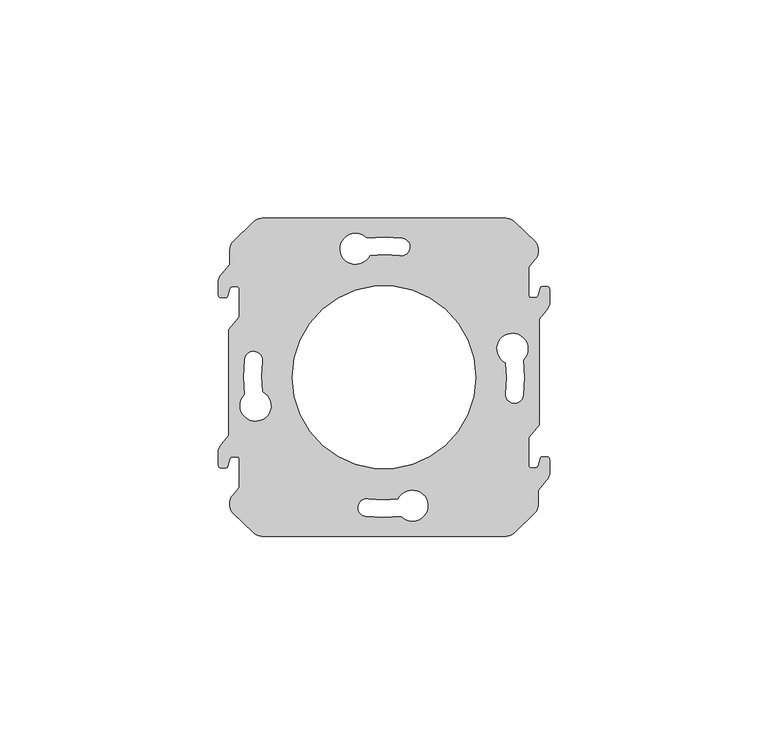
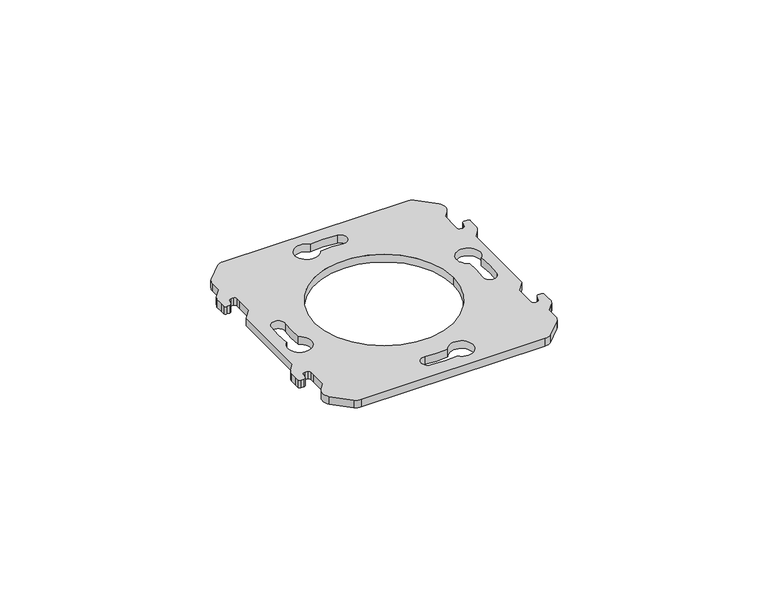
"""IFC4 building model written with IfcOpenShell, lengths in millimetres: proxy geometry."""

from ifc_helpers import new_model, si_unit, frame, origin, place, context, project, spatial, polyline, circle_curve, source, transform, mapped, element, save
from ifc_brep_helpers import plane_surface, cylinder_surface, revolved_surface, advanced_brep


def electrical_fixtures_a2ea9432(model_context):
    return source(origin(), model_context, "Body", "AdvancedBrep", [
        advanced_brep(
        [(-5.3618856, 58.9, 1.4999955), (-7.3352401, 58.1817577, 1.4999955), (-12.0623304, 53.6003524, 1.4999955), (-12.825, 51.7544998, 1.4999955), (-12.825, 48.358147, 1.4999955), (-14.6551375, 46.1770741, 1.4999955), (-15.3831369, 44.7482948, 1.4999955), (-15.3831369, 42.6032876, 1.4999955), (-15.3831369, 41.3, 1.4999955), (-14.7831369, 40.7, 1.4999955), (-13.8845347, 40.7, 1.4999955), (-13.2308768, 41.1925666, 1.4999955), (-13.0094096, 41.9649142, 1.4999955), (-12.7678212, 42.8074334, 1.4999955), (-12.1141632, 43.3, 1.4999955), (-11.215561, 43.3, 1.4999955), (-10.615561, 42.7, 1.4999955), (-10.615561, 41.3967124, 1.4999955), (-10.615561, 36.2941352, 1.4999955), (-13.0, 33.4524715, 1.4999955), (-13.0, 9.1495901, 1.4999955), (-14.6551375, 7.1770741, 1.4999955), (-15.3831369, 5.7482948, 1.4999955), (-15.3831369, 3.6032876, 1.4999955), (-15.3831369, 2.3, 1.4999955), (-14.7831369, 1.7, 1.4999955), (-13.8845347, 1.7, 1.4999955), (-13.2308768, 2.1925666, 1.4999955), (-13.0094096, 2.9649142, 1.4999955), (-12.7678212, 3.8074334, 1.4999955), (-12.1141632, 4.3, 1.4999955), (-11.215561, 4.3, 1.4999955), (-10.615561, 3.7, 1.4999955), (-10.615561, 2.3967124, 1.4999955), (-10.615561, -2.7058648, 1.4999955), (-12.0487493, -4.4138721, 1.4999955), (-12.0483311, -8.5880492, 1.4999955), (-7.3352401, -13.1817577, 1.4999955), (-5.3618856, -13.9, 1.4999955), (50.3618856, -13.9, 1.4999955), (52.3352401, -13.1817577, 1.4999955), (57.0623304, -8.6003524, 1.4999955), (57.825, -6.7544998, 1.4999955), (57.825, -3.358147, 1.4999955), (59.6551375, -1.1770741, 1.4999955), (60.3831369, 0.2517052, 1.4999955), (60.3831369, 2.3967124, 1.4999955), (60.3831369, 3.7, 1.4999955), (59.7831369, 4.3, 1.4999955), (58.8845347, 4.3, 1.4999955), (58.2308768, 3.8074334, 1.4999955), (58.0094096, 3.0350858, 1.4999955), (57.7678212, 2.1925666, 1.4999955), (57.1141632, 1.7, 1.4999955), (56.215561, 1.7, 1.4999955), (55.615561, 2.3, 1.4999955), (55.615561, 3.6032876, 1.4999955), (55.615561, 8.7058648, 1.4999955), (58.0, 11.5475285, 1.4999955), (58.0, 35.8504099, 1.4999955), (59.6551375, 37.8229259, 1.4999955), (60.3831369, 39.2517052, 1.4999955), (60.3831369, 41.3967124, 1.4999955), (60.3831369, 42.7, 1.4999955), (59.7831369, 43.3, 1.4999955), (58.8845347, 43.3, 1.4999955), (58.2308768, 42.8074334, 1.4999955), (58.0094096, 42.0350858, 1.4999955), (57.7678212, 41.1925666, 1.4999955), (57.1141632, 40.7, 1.4999955), (56.215561, 40.7, 1.4999955), (55.615561, 41.3, 1.4999955), (55.615561, 42.6032876, 1.4999955), (55.615561, 47.7058648, 1.4999955), (57.0487493, 49.4138721, 1.4999955), (57.0483311, 53.5880492, 1.4999955), (52.3352401, 58.1817577, 1.4999955), (50.3618856, 58.9, 1.4999955), (50.4050903, 25.7948561, 1.4999955), (54.3556482, 26.4616572, 1.4999955), (54.3309119, 18.3239237, 1.4999955), (50.3589525, 18.8422789, 1.4999955), (-5.4050903, 19.2051439, 1.4999955), (-9.3556482, 18.5383428, 1.4999955), (-9.3309119, 26.6760763, 1.4999955), (-5.3589525, 26.1577211, 1.4999955), (19.2051439, 50.4050903, 1.4999955), (18.5383428, 54.3556482, 1.4999955), (26.6760763, 54.3309119, 1.4999955), (26.1577211, 50.3589525, 1.4999955), (25.7948561, -5.4050903, 1.4999955), (26.4616572, -9.3556482, 1.4999955), (18.3239237, -9.3309119, 1.4999955), (18.8422789, -5.3589525, 1.4999955), (1.5, 22.5, 1.4999955), (43.5, 22.5, 1.4999955), (-5.3618856, 58.9, -0.9375053), (50.3618856, 58.9, -0.9375053), (52.3352401, 58.1817577, -0.9375053), (57.0623304, 53.6003524, -0.9375053), (57.0487493, 49.4138721, -0.9375053), (55.615561, 47.7058648, -0.9375053), (55.615561, 42.6032876, -0.9375053), (55.615561, 41.3, -0.9375053), (56.215561, 40.7, -0.9375053), (57.1141632, 40.7, -0.9375053), (57.7678212, 41.1925666, -0.9375053), (58.0094096, 42.0350858, -0.9375053), (58.2308768, 42.8074334, -0.9375053), (58.8845347, 43.3, -0.9375053), (59.7831369, 43.3, -0.9375053), (60.3831369, 42.7, -0.9375053), (60.3831369, 41.3967124, -0.9375053), (60.3831369, 39.2517052, -0.9375053), (59.6551375, 37.8229259, -0.9375053), (58.0, 35.8504099, -0.9375053), (58.0, 11.5475285, -0.9375053), (55.615561, 8.7058648, -0.9375053), (55.615561, 3.6032876, -0.9375053), (55.615561, 2.3, -0.9375053), (56.215561, 1.7, -0.9375053), (57.1141632, 1.7, -0.9375053), (57.7678212, 2.1925666, -0.9375053), (58.0094096, 3.0350858, -0.9375053), (58.2308768, 3.8074334, -0.9375053), (58.8845347, 4.3, -0.9375053), (59.7831369, 4.3, -0.9375053), (60.3831369, 3.7, -0.9375053), (60.3831369, 2.3967124, -0.9375053), (60.3831369, 0.2517052, -0.9375053), (59.6551375, -1.1770741, -0.9375053), (57.825, -3.358147, -0.9375053), (57.825, -6.7544998, -0.9375053), (57.0483311, -8.5880492, -0.9375053), (52.3352401, -13.1817577, -0.9375053), (50.3618856, -13.9, -0.9375053), (-5.3618856, -13.9, -0.9375053), (-7.3352401, -13.1817577, -0.9375053), (-12.0623304, -8.6003524, -0.9375053), (-12.0487493, -4.4138721, -0.9375053), (-10.615561, -2.7058648, -0.9375053), (-10.615561, 2.3967124, -0.9375053), (-10.615561, 3.7, -0.9375053), (-11.215561, 4.3, -0.9375053), (-12.1141632, 4.3, -0.9375053), (-12.7678212, 3.8074334, -0.9375053), (-13.0094096, 2.9649142, -0.9375053), (-13.2308768, 2.1925666, -0.9375053), (-13.8845347, 1.7, -0.9375053), (-14.7831369, 1.7, -0.9375053), (-15.3831369, 2.3, -0.9375053), (-15.3831369, 3.6032876, -0.9375053), (-15.3831369, 5.7482948, -0.9375053), (-14.6551375, 7.1770741, -0.9375053), (-13.0, 9.1495901, -0.9375053), (-13.0, 33.4524715, -0.9375053), (-10.615561, 36.2941352, -0.9375053), (-10.615561, 41.3967124, -0.9375053), (-10.615561, 42.7, -0.9375053), (-11.215561, 43.3, -0.9375053), (-12.1141632, 43.3, -0.9375053), (-12.7678212, 42.8074334, -0.9375053), (-13.0094096, 41.9649142, -0.9375053), (-13.2308768, 41.1925666, -0.9375053), (-13.8845347, 40.7, -0.9375053), (-14.7831369, 40.7, -0.9375053), (-15.3831369, 41.3, -0.9375053), (-15.3831369, 42.6032876, -0.9375053), (-15.3831369, 44.7482948, -0.9375053), (-14.6551375, 46.1770741, -0.9375053), (-12.825, 48.358147, -0.9375053), (-12.825, 51.7544998, -0.9375053), (-12.0483311, 53.5880492, -0.9375053), (-7.3352401, 58.1817577, -0.9375053), (50.4050903, 25.7948561, -0.9375053), (50.3589525, 18.8422789, -0.9375053), (54.3309119, 18.3239237, -0.9375053), (54.3556482, 26.4616572, -0.9375053), (-5.4050903, 19.2051439, -0.9375053), (-5.3589525, 26.1577211, -0.9375053), (-9.3309119, 26.6760763, -0.9375053), (-9.3556482, 18.5383428, -0.9375053), (19.2051439, 50.4050903, -0.9375053), (26.1577211, 50.3589525, -0.9375053), (26.6760763, 54.3309119, -0.9375053), (18.5383428, 54.3556482, -0.9375053), (25.7948561, -5.4050903, -0.9375053), (18.8422789, -5.3589525, -0.9375053), (18.3239237, -9.3309119, -0.9375053), (26.4616572, -9.3556482, -0.9375053), (1.5, 22.5, -0.9375053), (43.5, 22.5, -0.9375053)],
        [
            (0, 1, circle_curve(frame((-5.3618856, 55.8300054, 1.4999955), z_axis=(0.0, 0.0, 1.0), x_axis=(0.0, -1.0, 0.0)), 3.0699946)),
            (1, 2, circle_curve(frame((22.2319767, 22.9449208, 1.4999955), z_axis=(0.0, 0.0, 1.0), x_axis=(0.0, -1.0, 0.0)), 45.9984237)),
            (2, 3, circle_curve(frame((-9.6732427, 51.5007227, 1.4999955), z_axis=(0.0, 0.0, 1.0), x_axis=(0.0, -1.0, 0.0)), 3.1619578)),
            (3, 4),
            (4, 5),
            (5, 6, circle_curve(frame((-12.0250548, 43.9371233, 1.4999955), z_axis=(0.0, 0.0, 1.0), x_axis=(0.0, 1.0, 0.0)), 3.4546657)),
            (6, 7),
            (7, 8),
            (8, 9, circle_curve(frame((-14.7831369, 41.3, 1.4999955), z_axis=(0.0, 0.0, 1.0), x_axis=(0.0, 1.0, 0.0)), 0.6)),
            (9, 10),
            (10, 11, circle_curve(frame((-13.8845347, 41.38, 1.4999955), z_axis=(0.0, 0.0, 1.0), x_axis=(0.0, 1.0, 0.0)), 0.68)),
            (11, 12),
            (12, 13),
            (13, 14, circle_curve(frame((-12.1141632, 42.62, 1.4999955), z_axis=(0.0, 0.0, -1.0), x_axis=(0.0, -1.0, 0.0)), 0.68)),
            (14, 15),
            (15, 16, circle_curve(frame((-11.215561, 42.7, 1.4999955), z_axis=(0.0, 0.0, -1.0), x_axis=(0.0, -1.0, 0.0)), 0.6)),
            (16, 17),
            (17, 18),
            (18, 19),
            (19, 20),
            (20, 21),
            (21, 22, circle_curve(frame((-12.0250548, 4.9371233, 1.4999955), z_axis=(0.0, 0.0, 1.0), x_axis=(0.0, 1.0, 0.0)), 3.4546657)),
            (22, 23),
            (23, 24),
            (24, 25, circle_curve(frame((-14.7831369, 2.3, 1.4999955), z_axis=(0.0, 0.0, 1.0), x_axis=(0.0, 1.0, 0.0)), 0.6)),
            (25, 26),
            (26, 27, circle_curve(frame((-13.8845347, 2.38, 1.4999955), z_axis=(0.0, 0.0, 1.0), x_axis=(0.0, 1.0, 0.0)), 0.68)),
            (27, 28),
            (28, 29),
            (29, 30, circle_curve(frame((-12.1141632, 3.62, 1.4999955), z_axis=(0.0, 0.0, -1.0), x_axis=(0.0, -1.0, 0.0)), 0.68)),
            (30, 31),
            (31, 32, circle_curve(frame((-11.215561, 3.7, 1.4999955), z_axis=(0.0, 0.0, -1.0), x_axis=(0.0, -1.0, 0.0)), 0.6)),
            (32, 33),
            (33, 34),
            (34, 35),
            (35, 36, circle_curve(frame((-9.6732427, -6.5007227, 1.4999955), z_axis=(0.0, 0.0, 1.0), x_axis=(0.0, 1.0, 0.0)), 3.1619578)),
            (36, 37, circle_curve(frame((22.2319767, 22.0550792, 1.4999955), z_axis=(0.0, 0.0, 1.0), x_axis=(0.0, 1.0, 0.0)), 45.9984237)),
            (37, 38, circle_curve(frame((-5.3618856, -10.8300054, 1.4999955), z_axis=(0.0, 0.0, 1.0), x_axis=(0.0, 1.0, 0.0)), 3.0699946)),
            (38, 39),
            (39, 40, circle_curve(frame((50.3618856, -10.8300054, 1.4999955), z_axis=(0.0, 0.0, 1.0), x_axis=(0.0, 1.0, 0.0)), 3.0699946)),
            (40, 41, circle_curve(frame((22.7680233, 22.0550792, 1.4999955), z_axis=(0.0, 0.0, 1.0), x_axis=(0.0, 1.0, 0.0)), 45.9984237)),
            (41, 42, circle_curve(frame((54.6732427, -6.5007227, 1.4999955), z_axis=(0.0, 0.0, 1.0), x_axis=(0.0, 1.0, 0.0)), 3.1619578)),
            (42, 43),
            (43, 44),
            (44, 45, circle_curve(frame((57.0250548, 1.0628767, 1.4999955), z_axis=(0.0, 0.0, 1.0), x_axis=(0.0, -1.0, 0.0)), 3.4546657)),
            (45, 46),
            (46, 47),
            (47, 48, circle_curve(frame((59.7831369, 3.7, 1.4999955), z_axis=(0.0, 0.0, 1.0), x_axis=(0.0, -1.0, 0.0)), 0.6)),
            (48, 49),
            (49, 50, circle_curve(frame((58.8845347, 3.62, 1.4999955), z_axis=(0.0, 0.0, 1.0), x_axis=(0.0, -1.0, 0.0)), 0.68)),
            (50, 51),
            (51, 52),
            (52, 53, circle_curve(frame((57.1141632, 2.38, 1.4999955), z_axis=(0.0, 0.0, -1.0), x_axis=(0.0, 1.0, 0.0)), 0.68)),
            (53, 54),
            (54, 55, circle_curve(frame((56.215561, 2.3, 1.4999955), z_axis=(0.0, 0.0, -1.0), x_axis=(0.0, 1.0, 0.0)), 0.6)),
            (55, 56),
            (56, 57),
            (57, 58),
            (58, 59),
            (59, 60),
            (60, 61, circle_curve(frame((57.0250548, 40.0628767, 1.4999955), z_axis=(0.0, 0.0, 1.0), x_axis=(0.0, -1.0, 0.0)), 3.4546657)),
            (61, 62),
            (62, 63),
            (63, 64, circle_curve(frame((59.7831369, 42.7, 1.4999955), z_axis=(0.0, 0.0, 1.0), x_axis=(0.0, -1.0, 0.0)), 0.6)),
            (64, 65),
            (65, 66, circle_curve(frame((58.8845347, 42.62, 1.4999955), z_axis=(0.0, 0.0, 1.0), x_axis=(0.0, -1.0, 0.0)), 0.68)),
            (66, 67),
            (67, 68),
            (68, 69, circle_curve(frame((57.1141632, 41.38, 1.4999955), z_axis=(0.0, 0.0, -1.0), x_axis=(0.0, 1.0, 0.0)), 0.68)),
            (69, 70),
            (70, 71, circle_curve(frame((56.215561, 41.3, 1.4999955), z_axis=(0.0, 0.0, -1.0), x_axis=(0.0, 1.0, 0.0)), 0.6)),
            (71, 72),
            (72, 73),
            (73, 74),
            (74, 75, circle_curve(frame((54.6732427, 51.5007227, 1.4999955), z_axis=(0.0, 0.0, 1.0), x_axis=(0.0, -1.0, 0.0)), 3.1619578)),
            (75, 76, circle_curve(frame((22.7680233, 22.9449208, 1.4999955), z_axis=(0.0, 0.0, 1.0), x_axis=(0.0, -1.0, 0.0)), 45.9984237)),
            (76, 77, circle_curve(frame((50.3618856, 55.8300054, 1.4999955), z_axis=(0.0, 0.0, 1.0), x_axis=(0.0, -1.0, 0.0)), 3.0699946)),
            (77, 0),
            (78, 79, circle_curve(frame((51.8931272, 29.0149916, 1.4999955), z_axis=(0.0, 0.0, -1.0), x_axis=(0.0, -1.0, 0.0)), 3.5473266)),
            (79, 80, circle_curve(frame((22.4089112, 22.4898617, 1.4999955), z_axis=(0.0, 0.0, -1.0), x_axis=(0.0, -1.0, 0.0)), 32.1926881)),
            (80, 81, circle_curve(frame((52.3424212, 18.5638607, 1.4999955), z_axis=(0.0, 0.0, -1.0), x_axis=(0.0, -1.0, 0.0)), 2.0029141)),
            (81, 78, circle_curve(frame((24.3636153, 22.4912274, 1.4999955), z_axis=(0.0, 0.0, 1.0), x_axis=(0.0, -1.0, 0.0)), 26.2501882)),
            (82, 83, circle_curve(frame((-6.8931272, 15.9850084, 1.4999955), z_axis=(0.0, 0.0, -1.0), x_axis=(0.0, 1.0, 0.0)), 3.5473266)),
            (83, 84, circle_curve(frame((22.5910888, 22.5101383, 1.4999955), z_axis=(0.0, 0.0, -1.0), x_axis=(0.0, 1.0, 0.0)), 32.1926881)),
            (84, 85, circle_curve(frame((-7.3424212, 26.4361393, 1.4999955), z_axis=(0.0, 0.0, -1.0), x_axis=(0.0, 1.0, 0.0)), 2.0029141)),
            (85, 82, circle_curve(frame((20.6363847, 22.5087726, 1.4999955), z_axis=(0.0, 0.0, 1.0), x_axis=(0.0, 1.0, 0.0)), 26.2501882)),
            (86, 87, circle_curve(frame((15.9850084, 51.8931272, 1.4999955), z_axis=(0.0, 0.0, -1.0), x_axis=(1.0, 0.0, 0.0)), 3.5473266)),
            (87, 88, circle_curve(frame((22.5101383, 22.4089112, 1.4999955), z_axis=(0.0, 0.0, -1.0), x_axis=(1.0, 0.0, 0.0)), 32.1926881)),
            (88, 89, circle_curve(frame((26.4361393, 52.3424212, 1.4999955), z_axis=(0.0, 0.0, -1.0), x_axis=(1.0, 0.0, 0.0)), 2.0029141)),
            (89, 86, circle_curve(frame((22.5087726, 24.3636153, 1.4999955), z_axis=(0.0, 0.0, 1.0), x_axis=(1.0, 0.0, 0.0)), 26.2501882)),
            (90, 91, circle_curve(frame((29.0149916, -6.8931272, 1.4999955), z_axis=(0.0, 0.0, -1.0), x_axis=(-1.0, 0.0, 0.0)), 3.5473266)),
            (91, 92, circle_curve(frame((22.4898617, 22.5910888, 1.4999955), z_axis=(0.0, 0.0, -1.0), x_axis=(-1.0, 0.0, 0.0)), 32.1926881)),
            (92, 93, circle_curve(frame((18.5638607, -7.3424212, 1.4999955), z_axis=(0.0, 0.0, -1.0), x_axis=(-1.0, 0.0, 0.0)), 2.0029141)),
            (93, 90, circle_curve(frame((22.4912274, 20.6363847, 1.4999955), z_axis=(0.0, 0.0, 1.0), x_axis=(-1.0, 0.0, 0.0)), 26.2501882)),
            (94, 95, circle_curve(frame((22.5, 22.5, 1.4999955), z_axis=(0.0, 0.0, -1.0), x_axis=(1.0, 0.0, 0.0)), 21.0)),
            (95, 94, circle_curve(frame((22.5, 22.5, 1.4999955), z_axis=(0.0, 0.0, -1.0), x_axis=(1.0, 0.0, 0.0)), 21.0)),
            (96, 97),
            (97, 98, circle_curve(frame((50.3618856, 55.8300054, -0.9375053), z_axis=(0.0, 0.0, -1.0), x_axis=(0.0, -1.0, 0.0)), 3.0699946)),
            (98, 99, circle_curve(frame((22.7680233, 22.9449208, -0.9375053), z_axis=(0.0, 0.0, -1.0), x_axis=(0.0, -1.0, 0.0)), 45.9984237)),
            (99, 100, circle_curve(frame((54.6732427, 51.5007227, -0.9375053), z_axis=(0.0, 0.0, -1.0), x_axis=(0.0, -1.0, 0.0)), 3.1619578)),
            (100, 101),
            (101, 102),
            (102, 103),
            (103, 104, circle_curve(frame((56.215561, 41.3, -0.9375053), z_axis=(0.0, 0.0, 1.0), x_axis=(0.0, 1.0, 0.0)), 0.6)),
            (104, 105),
            (105, 106, circle_curve(frame((57.1141632, 41.38, -0.9375053), z_axis=(0.0, 0.0, 1.0), x_axis=(0.0, 1.0, 0.0)), 0.68)),
            (106, 107),
            (107, 108),
            (108, 109, circle_curve(frame((58.8845347, 42.62, -0.9375053), z_axis=(0.0, 0.0, -1.0), x_axis=(0.0, -1.0, 0.0)), 0.68)),
            (109, 110),
            (110, 111, circle_curve(frame((59.7831369, 42.7, -0.9375053), z_axis=(0.0, 0.0, -1.0), x_axis=(0.0, -1.0, 0.0)), 0.6)),
            (111, 112),
            (112, 113),
            (113, 114, circle_curve(frame((57.0250548, 40.0628767, -0.9375053), z_axis=(0.0, 0.0, -1.0), x_axis=(0.0, -1.0, 0.0)), 3.4546657)),
            (114, 115),
            (115, 116),
            (116, 117),
            (117, 118),
            (118, 119),
            (119, 120, circle_curve(frame((56.215561, 2.3, -0.9375053), z_axis=(0.0, 0.0, 1.0), x_axis=(0.0, 1.0, 0.0)), 0.6)),
            (120, 121),
            (121, 122, circle_curve(frame((57.1141632, 2.38, -0.9375053), z_axis=(0.0, 0.0, 1.0), x_axis=(0.0, 1.0, 0.0)), 0.68)),
            (122, 123),
            (123, 124),
            (124, 125, circle_curve(frame((58.8845347, 3.62, -0.9375053), z_axis=(0.0, 0.0, -1.0), x_axis=(0.0, -1.0, 0.0)), 0.68)),
            (125, 126),
            (126, 127, circle_curve(frame((59.7831369, 3.7, -0.9375053), z_axis=(0.0, 0.0, -1.0), x_axis=(0.0, -1.0, 0.0)), 0.6)),
            (127, 128),
            (128, 129),
            (129, 130, circle_curve(frame((57.0250548, 1.0628767, -0.9375053), z_axis=(0.0, 0.0, -1.0), x_axis=(0.0, -1.0, 0.0)), 3.4546657)),
            (130, 131),
            (131, 132),
            (132, 133, circle_curve(frame((54.6732427, -6.5007227, -0.9375053), z_axis=(0.0, 0.0, -1.0), x_axis=(0.0, 1.0, 0.0)), 3.1619578)),
            (133, 134, circle_curve(frame((22.7680233, 22.0550792, -0.9375053), z_axis=(0.0, 0.0, -1.0), x_axis=(0.0, 1.0, 0.0)), 45.9984237)),
            (134, 135, circle_curve(frame((50.3618856, -10.8300054, -0.9375053), z_axis=(0.0, 0.0, -1.0), x_axis=(0.0, 1.0, 0.0)), 3.0699946)),
            (135, 136),
            (136, 137, circle_curve(frame((-5.3618856, -10.8300054, -0.9375053), z_axis=(0.0, 0.0, -1.0), x_axis=(0.0, 1.0, 0.0)), 3.0699946)),
            (137, 138, circle_curve(frame((22.2319767, 22.0550792, -0.9375053), z_axis=(0.0, 0.0, -1.0), x_axis=(0.0, 1.0, 0.0)), 45.9984237)),
            (138, 139, circle_curve(frame((-9.6732427, -6.5007227, -0.9375053), z_axis=(0.0, 0.0, -1.0), x_axis=(0.0, 1.0, 0.0)), 3.1619578)),
            (139, 140),
            (140, 141),
            (141, 142),
            (142, 143, circle_curve(frame((-11.215561, 3.7, -0.9375053), z_axis=(0.0, 0.0, 1.0), x_axis=(0.0, -1.0, 0.0)), 0.6)),
            (143, 144),
            (144, 145, circle_curve(frame((-12.1141632, 3.62, -0.9375053), z_axis=(0.0, 0.0, 1.0), x_axis=(0.0, -1.0, 0.0)), 0.68)),
            (145, 146),
            (146, 147),
            (147, 148, circle_curve(frame((-13.8845347, 2.38, -0.9375053), z_axis=(0.0, 0.0, -1.0), x_axis=(0.0, 1.0, 0.0)), 0.68)),
            (148, 149),
            (149, 150, circle_curve(frame((-14.7831369, 2.3, -0.9375053), z_axis=(0.0, 0.0, -1.0), x_axis=(0.0, 1.0, 0.0)), 0.6)),
            (150, 151),
            (151, 152),
            (152, 153, circle_curve(frame((-12.0250548, 4.9371233, -0.9375053), z_axis=(0.0, 0.0, -1.0), x_axis=(0.0, 1.0, 0.0)), 3.4546657)),
            (153, 154),
            (154, 155),
            (155, 156),
            (156, 157),
            (157, 158),
            (158, 159, circle_curve(frame((-11.215561, 42.7, -0.9375053), z_axis=(0.0, 0.0, 1.0), x_axis=(0.0, -1.0, 0.0)), 0.6)),
            (159, 160),
            (160, 161, circle_curve(frame((-12.1141632, 42.62, -0.9375053), z_axis=(0.0, 0.0, 1.0), x_axis=(0.0, -1.0, 0.0)), 0.68)),
            (161, 162),
            (162, 163),
            (163, 164, circle_curve(frame((-13.8845347, 41.38, -0.9375053), z_axis=(0.0, 0.0, -1.0), x_axis=(0.0, 1.0, 0.0)), 0.68)),
            (164, 165),
            (165, 166, circle_curve(frame((-14.7831369, 41.3, -0.9375053), z_axis=(0.0, 0.0, -1.0), x_axis=(0.0, 1.0, 0.0)), 0.6)),
            (166, 167),
            (167, 168),
            (168, 169, circle_curve(frame((-12.0250548, 43.9371233, -0.9375053), z_axis=(0.0, 0.0, -1.0), x_axis=(0.0, 1.0, 0.0)), 3.4546657)),
            (169, 170),
            (170, 171),
            (171, 172, circle_curve(frame((-9.6732427, 51.5007227, -0.9375053), z_axis=(0.0, 0.0, -1.0), x_axis=(0.0, -1.0, 0.0)), 3.1619578)),
            (172, 173, circle_curve(frame((22.2319767, 22.9449208, -0.9375053), z_axis=(0.0, 0.0, -1.0), x_axis=(0.0, -1.0, 0.0)), 45.9984237)),
            (173, 96, circle_curve(frame((-5.3618856, 55.8300054, -0.9375053), z_axis=(0.0, 0.0, -1.0), x_axis=(0.0, -1.0, 0.0)), 3.0699946)),
            (174, 175, circle_curve(frame((24.3636153, 22.4912274, -0.9375053), z_axis=(0.0, 0.0, -1.0), x_axis=(0.0, -1.0, 0.0)), 26.2501882)),
            (175, 176, circle_curve(frame((52.3424212, 18.5638607, -0.9375053), z_axis=(0.0, 0.0, 1.0), x_axis=(0.0, -1.0, 0.0)), 2.0029141)),
            (176, 177, circle_curve(frame((22.4089112, 22.4898617, -0.9375053), z_axis=(0.0, 0.0, 1.0), x_axis=(0.0, -1.0, 0.0)), 32.1926881)),
            (177, 174, circle_curve(frame((51.8931272, 29.0149916, -0.9375053), z_axis=(0.0, 0.0, 1.0), x_axis=(0.0, -1.0, 0.0)), 3.5473266)),
            (178, 179, circle_curve(frame((20.6363847, 22.5087726, -0.9375053), z_axis=(0.0, 0.0, -1.0), x_axis=(0.0, 1.0, 0.0)), 26.2501882)),
            (179, 180, circle_curve(frame((-7.3424212, 26.4361393, -0.9375053), z_axis=(0.0, 0.0, 1.0), x_axis=(0.0, 1.0, 0.0)), 2.0029141)),
            (180, 181, circle_curve(frame((22.5910888, 22.5101383, -0.9375053), z_axis=(0.0, 0.0, 1.0), x_axis=(0.0, 1.0, 0.0)), 32.1926881)),
            (181, 178, circle_curve(frame((-6.8931272, 15.9850084, -0.9375053), z_axis=(0.0, 0.0, 1.0), x_axis=(0.0, 1.0, 0.0)), 3.5473266)),
            (182, 183, circle_curve(frame((22.5087726, 24.3636153, -0.9375053), z_axis=(0.0, 0.0, -1.0), x_axis=(1.0, 0.0, 0.0)), 26.2501882)),
            (183, 184, circle_curve(frame((26.4361393, 52.3424212, -0.9375053), z_axis=(0.0, 0.0, 1.0), x_axis=(1.0, 0.0, 0.0)), 2.0029141)),
            (184, 185, circle_curve(frame((22.5101383, 22.4089112, -0.9375053), z_axis=(0.0, 0.0, 1.0), x_axis=(1.0, 0.0, 0.0)), 32.1926881)),
            (185, 182, circle_curve(frame((15.9850084, 51.8931272, -0.9375053), z_axis=(0.0, 0.0, 1.0), x_axis=(1.0, 0.0, 0.0)), 3.5473266)),
            (186, 187, circle_curve(frame((22.4912274, 20.6363847, -0.9375053), z_axis=(0.0, 0.0, -1.0), x_axis=(-1.0, 0.0, 0.0)), 26.2501882)),
            (187, 188, circle_curve(frame((18.5638607, -7.3424212, -0.9375053), z_axis=(0.0, 0.0, 1.0), x_axis=(-1.0, 0.0, 0.0)), 2.0029141)),
            (188, 189, circle_curve(frame((22.4898617, 22.5910888, -0.9375053), z_axis=(0.0, 0.0, 1.0), x_axis=(-1.0, 0.0, 0.0)), 32.1926881)),
            (189, 186, circle_curve(frame((29.0149916, -6.8931272, -0.9375053), z_axis=(0.0, 0.0, 1.0), x_axis=(-1.0, 0.0, 0.0)), 3.5473266)),
            (190, 191, circle_curve(frame((22.5, 22.5, -0.9375053), z_axis=(0.0, 0.0, 1.0), x_axis=(1.0, 0.0, 0.0)), 21.0)),
            (191, 190, circle_curve(frame((22.5, 22.5, -0.9375053), z_axis=(0.0, 0.0, 1.0), x_axis=(1.0, 0.0, 0.0)), 21.0)),
            (0, 96),
            (173, 1),
            (172, 2),
            (36, 138),
            (137, 37),
            (136, 38),
            (135, 39),
            (134, 40),
            (133, 41),
            (132, 42),
            (131, 43),
            (130, 44),
            (129, 45),
            (128, 46),
            (127, 47),
            (126, 48),
            (125, 49),
            (124, 50),
            (123, 51),
            (57, 117),
            (116, 58),
            (115, 59),
            (114, 60),
            (113, 61),
            (112, 62),
            (111, 63),
            (110, 64),
            (109, 65),
            (108, 66),
            (107, 67),
            (73, 101),
            (100, 74),
            (99, 75),
            (98, 76),
            (97, 77),
            (78, 174),
            (177, 79),
            (176, 80),
            (175, 81),
            (82, 178),
            (181, 83),
            (180, 84),
            (179, 85),
            (86, 182),
            (185, 87),
            (184, 88),
            (183, 89),
            (90, 186),
            (189, 91),
            (188, 92),
            (187, 93),
            (171, 3),
            (170, 4),
            (169, 5),
            (168, 6),
            (167, 7),
            (166, 8),
            (165, 9),
            (164, 10),
            (163, 11),
            (162, 12),
            (161, 13),
            (160, 14),
            (159, 15),
            (158, 16),
            (157, 17),
            (156, 18),
            (155, 19),
            (154, 20),
            (153, 21),
            (152, 22),
            (151, 23),
            (150, 24),
            (149, 25),
            (148, 26),
            (147, 27),
            (146, 28),
            (145, 29),
            (144, 30),
            (143, 31),
            (142, 32),
            (141, 33),
            (140, 34),
            (139, 35),
            (122, 52),
            (121, 53),
            (120, 54),
            (119, 55),
            (118, 56),
            (106, 68),
            (105, 69),
            (104, 70),
            (103, 71),
            (102, 72),
            (94, 190),
            (191, 95),
        ],
        [
            plane_surface(frame((-5.3618856, 52.7600108, 1.4999955), z_axis=(0.0, 0.0, 1.0), x_axis=(1.0, 0.0, 0.0))),
            plane_surface(frame((-5.3618856, 52.7600108, -0.9375053), z_axis=(0.0, 0.0, -1.0), x_axis=(-1.0, 0.0, 0.0))),
            cylinder_surface(frame((-5.3618856, 55.8300054, -0.9375053), z_axis=(0.0, 0.0, 1.0), x_axis=(0.0, -1.0, 0.0)), 3.0699946),
            cylinder_surface(frame((22.2319767, 22.9449208, -0.9375053), z_axis=(0.0, 0.0, 1.0), x_axis=(0.0, -1.0, 0.0)), 45.9984237),
            cylinder_surface(frame((22.2319767, 22.0550792, -0.9375053), z_axis=(0.0, 0.0, 1.0), x_axis=(0.0, 1.0, 0.0)), 45.9984237),
            cylinder_surface(frame((-5.3618856, -10.8300054, -0.9375053), z_axis=(0.0, 0.0, 1.0), x_axis=(0.0, 1.0, 0.0)), 3.0699946),
            plane_surface(frame((-5.3618856, -13.9, 1.4999955), z_axis=(0.0, -1.0, 0.0), x_axis=(0.0, 0.0, -1.0))),
            cylinder_surface(frame((50.3618856, -10.8300054, -0.9375053), z_axis=(0.0, 0.0, 1.0), x_axis=(0.0, 1.0, 0.0)), 3.0699946),
            cylinder_surface(frame((22.7680233, 22.0550792, -0.9375053), z_axis=(0.0, 0.0, 1.0), x_axis=(0.0, 1.0, 0.0)), 45.9984237),
            cylinder_surface(frame((54.6732427, -6.5007227, -0.9375053), z_axis=(0.0, 0.0, 1.0), x_axis=(0.0, 1.0, 0.0)), 3.1619578),
            plane_surface(frame((57.825, -6.7544998, 1.4999955), z_axis=(1.0, 0.0, 0.0), x_axis=(0.0, 0.0, -1.0))),
            plane_surface(frame((57.825, -3.358147, 1.4999955), z_axis=(0.7660444431193687, -0.6427876096860737, 0.0), x_axis=(0.0, 0.0, -1.0))),
            cylinder_surface(frame((57.0250548, 1.0628767, -0.9375053), z_axis=(0.0, 0.0, 1.0), x_axis=(0.0, -1.0, 0.0)), 3.4546657),
            plane_surface(frame((60.3831369, 0.2517052, 1.4999955), z_axis=(1.0, 0.0, 0.0), x_axis=(0.0, 0.0, -1.0))),
            plane_surface(frame((60.3831369, 2.3967124, 1.4999955), z_axis=(1.0, 0.0, 0.0), x_axis=(0.0, 0.0, -1.0))),
            cylinder_surface(frame((59.7831369, 3.7, -0.9375053), z_axis=(0.0, 0.0, 1.0), x_axis=(0.0, -1.0, 0.0)), 0.6),
            plane_surface(frame((59.7831369, 4.3, 1.4999955), z_axis=(0.0, 1.0, 0.0), x_axis=(0.0, 0.0, -1.0))),
            cylinder_surface(frame((58.8845347, 3.62, -0.9375053), z_axis=(0.0, 0.0, 1.0), x_axis=(0.0, -1.0, 0.0)), 0.68),
            plane_surface(frame((58.2308768, 3.8074334, 1.4999955), z_axis=(-0.9612616959382921, 0.27563735581709237, 0.0), x_axis=(0.0, 0.0, -1.0))),
            plane_surface(frame((55.615561, 8.7058648, 1.4999955), z_axis=(0.7660444431184645, -0.6427876096871513, 0.0), x_axis=(0.0, 0.0, -1.0))),
            plane_surface(frame((58.0, 11.5475285, 1.4999955), z_axis=(1.0, 0.0, 0.0), x_axis=(0.0, 0.0, -1.0))),
            plane_surface(frame((58.0, 35.8504099, 1.4999955), z_axis=(0.766044443119369, -0.6427876096860735, 0.0), x_axis=(0.0, 0.0, -1.0))),
            cylinder_surface(frame((57.0250548, 40.0628767, -0.9375053), z_axis=(0.0, 0.0, 1.0), x_axis=(0.0, -1.0, 0.0)), 3.4546657),
            plane_surface(frame((60.3831369, 39.2517052, 1.4999955), z_axis=(1.0, 0.0, 0.0), x_axis=(0.0, 0.0, -1.0))),
            plane_surface(frame((60.3831369, 41.3967124, 1.4999955), z_axis=(1.0, 0.0, 0.0), x_axis=(0.0, 0.0, -1.0))),
            cylinder_surface(frame((59.7831369, 42.7, -0.9375053), z_axis=(0.0, 0.0, 1.0), x_axis=(0.0, -1.0, 0.0)), 0.6),
            plane_surface(frame((59.7831369, 43.3, 1.4999955), z_axis=(0.0, 1.0, 0.0), x_axis=(0.0, 0.0, -1.0))),
            cylinder_surface(frame((58.8845347, 42.62, -0.9375053), z_axis=(0.0, 0.0, 1.0), x_axis=(0.0, -1.0, 0.0)), 0.68),
            plane_surface(frame((58.2308768, 42.8074334, 1.4999955), z_axis=(-0.9612616959382918, 0.27563735581709375, 0.0), x_axis=(0.0, 0.0, -1.0))),
            plane_surface(frame((55.615561, 47.7058648, 1.4999955), z_axis=(0.7660444431184653, -0.6427876096871505, 0.0), x_axis=(0.0, 0.0, -1.0))),
            cylinder_surface(frame((54.6732427, 51.5007227, -0.9375053), z_axis=(0.0, 0.0, 1.0), x_axis=(0.0, -1.0, 0.0)), 3.1619578),
            cylinder_surface(frame((22.7680233, 22.9449208, -0.9375053), z_axis=(0.0, 0.0, 1.0), x_axis=(0.0, -1.0, 0.0)), 45.9984237),
            cylinder_surface(frame((50.3618856, 55.8300054, -0.9375053), z_axis=(0.0, 0.0, 1.0), x_axis=(0.0, -1.0, 0.0)), 3.0699946),
            plane_surface(frame((50.3618856, 58.9, 1.4999955), z_axis=(0.0, 1.0, 0.0), x_axis=(0.0, 0.0, -1.0))),
            revolved_surface(polyline([(51.8931272, 25.467664999999997, -0.9375053), (51.8931272, 25.467664999999997, 1.4999955)]), (51.8931272, 29.0149916, -0.9375053), (0.0, 0.0, -1.0)),
            revolved_surface(polyline([(22.4089112, -9.7028264, -0.9375053), (22.4089112, -9.7028264, 1.4999955)]), (22.4089112, 22.4898617, -0.9375053), (0.0, 0.0, -1.0)),
            revolved_surface(polyline([(52.3424212, 16.5609466, -0.9375053), (52.3424212, 16.5609466, 1.4999955)]), (52.3424212, 18.5638607, -0.9375053), (0.0, 0.0, -1.0)),
            cylinder_surface(frame((24.3636153, 22.4912274, -0.9375053), z_axis=(0.0, 0.0, 1.0), x_axis=(0.0, -1.0, 0.0)), 26.2501882),
            revolved_surface(polyline([(-6.8931272, 19.532335, -0.9375053), (-6.8931272, 19.532335, 1.4999955)]), (-6.8931272, 15.9850084, -0.9375053), (0.0, 0.0, -1.0)),
            revolved_surface(polyline([(22.5910888, 54.7028264, -0.9375053), (22.5910888, 54.7028264, 1.4999955)]), (22.5910888, 22.5101383, -0.9375053), (0.0, 0.0, -1.0)),
            revolved_surface(polyline([(-7.3424212, 28.4390534, -0.9375053), (-7.3424212, 28.4390534, 1.4999955)]), (-7.3424212, 26.4361393, -0.9375053), (0.0, 0.0, -1.0)),
            cylinder_surface(frame((20.6363847, 22.5087726, -0.9375053), z_axis=(0.0, 0.0, 1.0), x_axis=(0.0, 1.0, 0.0)), 26.2501882),
            revolved_surface(polyline([(19.532335, 51.8931272, -0.9375053), (19.532335, 51.8931272, 1.4999955)]), (15.9850084, 51.8931272, -0.9375053), (0.0, 0.0, -1.0)),
            revolved_surface(polyline([(54.7028264, 22.4089112, -0.9375053), (54.7028264, 22.4089112, 1.4999955)]), (22.5101383, 22.4089112, -0.9375053), (0.0, 0.0, -1.0)),
            revolved_surface(polyline([(28.4390534, 52.3424212, -0.9375053), (28.4390534, 52.3424212, 1.4999955)]), (26.4361393, 52.3424212, -0.9375053), (0.0, 0.0, -1.0)),
            cylinder_surface(frame((22.5087726, 24.3636153, -0.9375053), z_axis=(0.0, 0.0, 1.0), x_axis=(1.0, 0.0, 0.0)), 26.2501882),
            revolved_surface(polyline([(25.467664999999997, -6.8931272, -0.9375053), (25.467664999999997, -6.8931272, 1.4999955)]), (29.0149916, -6.8931272, -0.9375053), (0.0, 0.0, -1.0)),
            revolved_surface(polyline([(-9.7028264, 22.5910888, -0.9375053), (-9.7028264, 22.5910888, 1.4999955)]), (22.4898617, 22.5910888, -0.9375053), (0.0, 0.0, -1.0)),
            revolved_surface(polyline([(16.5609466, -7.3424212, -0.9375053), (16.5609466, -7.3424212, 1.4999955)]), (18.5638607, -7.3424212, -0.9375053), (0.0, 0.0, -1.0)),
            cylinder_surface(frame((22.4912274, 20.6363847, -0.9375053), z_axis=(0.0, 0.0, 1.0), x_axis=(-1.0, 0.0, 0.0)), 26.2501882),
            cylinder_surface(frame((-9.6732427, 51.5007227, -0.9375053), z_axis=(0.0, 0.0, 1.0), x_axis=(0.0, -1.0, 0.0)), 3.1619578),
            plane_surface(frame((-12.825, 51.7544998, 1.4999955), z_axis=(-1.0, 0.0, 0.0), x_axis=(0.0, 0.0, -1.0))),
            plane_surface(frame((-12.825, 48.358147, 1.4999955), z_axis=(-0.7660444431193687, 0.6427876096860737, 0.0), x_axis=(0.0, 0.0, -1.0))),
            cylinder_surface(frame((-12.0250548, 43.9371233, -0.9375053), z_axis=(0.0, 0.0, 1.0), x_axis=(0.0, 1.0, 0.0)), 3.4546657),
            plane_surface(frame((-15.3831369, 44.7482948, 1.4999955), z_axis=(-1.0, 0.0, 0.0), x_axis=(0.0, 0.0, -1.0))),
            plane_surface(frame((-15.3831369, 42.6032876, 1.4999955), z_axis=(-1.0, 0.0, 0.0), x_axis=(0.0, 0.0, -1.0))),
            cylinder_surface(frame((-14.7831369, 41.3, -0.9375053), z_axis=(0.0, 0.0, 1.0), x_axis=(0.0, 1.0, 0.0)), 0.6),
            plane_surface(frame((-14.7831369, 40.7, 1.4999955), z_axis=(0.0, -1.0, 0.0), x_axis=(0.0, 0.0, -1.0))),
            cylinder_surface(frame((-13.8845347, 41.38, -0.9375053), z_axis=(0.0, 0.0, 1.0), x_axis=(0.0, 1.0, 0.0)), 0.68),
            plane_surface(frame((-13.2308768, 41.1925666, 1.4999955), z_axis=(0.961261695938292, -0.2756373558170931, 0.0), x_axis=(0.0, 0.0, -1.0))),
            plane_surface(frame((-13.0094096, 41.9649142, 1.4999955), z_axis=(0.9612616959382895, -0.27563735581710186, 0.0), x_axis=(0.0, 0.0, -1.0))),
            revolved_surface(polyline([(-12.1141632, 41.94, -0.9375053), (-12.1141632, 41.94, 1.4999955)]), (-12.1141632, 42.62, -0.9375053), (0.0, 0.0, -1.0)),
            plane_surface(frame((-12.1141632, 43.3, 1.4999955), z_axis=(0.0, -1.0, 0.0), x_axis=(0.0, 0.0, -1.0))),
            revolved_surface(polyline([(-11.215561, 42.1, -0.9375053), (-11.215561, 42.1, 1.4999955)]), (-11.215561, 42.7, -0.9375053), (0.0, 0.0, -1.0)),
            plane_surface(frame((-10.615561, 42.7, 1.4999955), z_axis=(-1.0, 0.0, 0.0), x_axis=(0.0, 0.0, -1.0))),
            plane_surface(frame((-10.615561, 41.3967124, 1.4999955), z_axis=(-1.0, 0.0, 0.0), x_axis=(0.0, 0.0, -1.0))),
            plane_surface(frame((-10.615561, 36.2941352, 1.4999955), z_axis=(-0.7660444431184648, 0.642787609687151, 0.0), x_axis=(0.0, 0.0, -1.0))),
            plane_surface(frame((-13.0, 33.4524715, 1.4999955), z_axis=(-1.0, 0.0, 0.0), x_axis=(0.0, 0.0, -1.0))),
            plane_surface(frame((-13.0, 9.1495901, 1.4999955), z_axis=(-0.7660444431193687, 0.6427876096860738, 0.0), x_axis=(0.0, 0.0, -1.0))),
            cylinder_surface(frame((-12.0250548, 4.9371233, -0.9375053), z_axis=(0.0, 0.0, 1.0), x_axis=(0.0, 1.0, 0.0)), 3.4546657),
            plane_surface(frame((-15.3831369, 5.7482948, 1.4999955), z_axis=(-1.0, 0.0, 0.0), x_axis=(0.0, 0.0, -1.0))),
            plane_surface(frame((-15.3831369, 3.6032876, 1.4999955), z_axis=(-1.0, 0.0, 0.0), x_axis=(0.0, 0.0, -1.0))),
            cylinder_surface(frame((-14.7831369, 2.3, -0.9375053), z_axis=(0.0, 0.0, 1.0), x_axis=(0.0, 1.0, 0.0)), 0.6),
            plane_surface(frame((-14.7831369, 1.7, 1.4999955), z_axis=(0.0, -1.0, 0.0), x_axis=(0.0, 0.0, -1.0))),
            cylinder_surface(frame((-13.8845347, 2.38, -0.9375053), z_axis=(0.0, 0.0, 1.0), x_axis=(0.0, 1.0, 0.0)), 0.68),
            plane_surface(frame((-13.2308768, 2.1925666, 1.4999955), z_axis=(0.9612616959382918, -0.27563735581709375, 0.0), x_axis=(0.0, 0.0, -1.0))),
            plane_surface(frame((-13.0094096, 2.9649142, 1.4999955), z_axis=(0.9612616959751431, -0.2756373556885779, 0.0), x_axis=(0.0, 0.0, -1.0))),
            revolved_surface(polyline([(-12.1141632, 2.94, -0.9375053), (-12.1141632, 2.94, 1.4999955)]), (-12.1141632, 3.62, -0.9375053), (0.0, 0.0, -1.0)),
            plane_surface(frame((-12.1141632, 4.3, 1.4999955), z_axis=(0.0, -1.0, 0.0), x_axis=(0.0, 0.0, -1.0))),
            revolved_surface(polyline([(-11.215561, 3.1, -0.9375053), (-11.215561, 3.1, 1.4999955)]), (-11.215561, 3.7, -0.9375053), (0.0, 0.0, -1.0)),
            plane_surface(frame((-10.615561, 3.7, 1.4999955), z_axis=(-1.0, 0.0, 0.0), x_axis=(0.0, 0.0, -1.0))),
            plane_surface(frame((-10.615561, 2.3967124, 1.4999955), z_axis=(-1.0, 0.0, 0.0), x_axis=(0.0, 0.0, -1.0))),
            plane_surface(frame((-10.615561, -2.7058648, 1.4999955), z_axis=(-0.7660444431184645, 0.6427876096871514, 0.0), x_axis=(0.0, 0.0, -1.0))),
            cylinder_surface(frame((-9.6732427, -6.5007227, -0.9375053), z_axis=(0.0, 0.0, 1.0), x_axis=(0.0, 1.0, 0.0)), 3.1619578),
            plane_surface(frame((58.0094096, 3.0350858, 1.4999955), z_axis=(-0.9612616959382895, 0.27563735581710186, 0.0), x_axis=(0.0, 0.0, -1.0))),
            revolved_surface(polyline([(57.1141632, 3.06, -0.9375053), (57.1141632, 3.06, 1.4999955)]), (57.1141632, 2.38, -0.9375053), (0.0, 0.0, -1.0)),
            plane_surface(frame((57.1141632, 1.7, 1.4999955), z_axis=(0.0, 1.0, 0.0), x_axis=(0.0, 0.0, -1.0))),
            revolved_surface(polyline([(56.215561, 2.9, -0.9375053), (56.215561, 2.9, 1.4999955)]), (56.215561, 2.3, -0.9375053), (0.0, 0.0, -1.0)),
            plane_surface(frame((55.615561, 2.3, 1.4999955), z_axis=(1.0, 0.0, 0.0), x_axis=(0.0, 0.0, -1.0))),
            plane_surface(frame((55.615561, 3.6032876, 1.4999955), z_axis=(1.0, 0.0, 0.0), x_axis=(0.0, 0.0, -1.0))),
            plane_surface(frame((58.0094096, 42.0350858, 1.4999955), z_axis=(-0.9612616959751431, 0.2756373556885779, 0.0), x_axis=(0.0, 0.0, -1.0))),
            revolved_surface(polyline([(57.1141632, 42.06, -0.9375053), (57.1141632, 42.06, 1.4999955)]), (57.1141632, 41.38, -0.9375053), (0.0, 0.0, -1.0)),
            plane_surface(frame((57.1141632, 40.7, 1.4999955), z_axis=(0.0, 1.0, 0.0), x_axis=(0.0, 0.0, -1.0))),
            revolved_surface(polyline([(56.215561, 41.9, -0.9375053), (56.215561, 41.9, 1.4999955)]), (56.215561, 41.3, -0.9375053), (0.0, 0.0, -1.0)),
            plane_surface(frame((55.615561, 41.3, 1.4999955), z_axis=(1.0, 0.0, 0.0), x_axis=(0.0, 0.0, -1.0))),
            plane_surface(frame((55.615561, 42.6032876, 1.4999955), z_axis=(1.0, 0.0, 0.0), x_axis=(0.0, 0.0, -1.0))),
            revolved_surface(polyline([(43.5, 22.5, -0.9375053), (43.5, 22.5, 1.4999955)]), (22.5, 22.5, -0.9375053), (0.0, 0.0, -1.0)),
        ],
        [
            (0, [[1, 2, 3, 4, 5, 6, 7, 8, 9, 10, 11, 12, 13, 14, 15, 16, 17, 18, 19, 20, 21, 22, 23, 24, 25, 26, 27, 28, 29, 30, 31, 32, 33, 34, 35, 36, 37, 38, 39, 40, 41, 42, 43, 44, 45, 46, 47, 48, 49, 50, 51, 52, 53, 54, 55, 56, 57, 58, 59, 60, 61, 62, 63, 64, 65, 66, 67, 68, 69, 70, 71, 72, 73, 74, 75, 76, 77, 78], [79, 80, 81, 82], [83, 84, 85, 86], [87, 88, 89, 90], [91, 92, 93, 94], [95, 96]]),
            (1, [[97, 98, 99, 100, 101, 102, 103, 104, 105, 106, 107, 108, 109, 110, 111, 112, 113, 114, 115, 116, 117, 118, 119, 120, 121, 122, 123, 124, 125, 126, 127, 128, 129, 130, 131, 132, 133, 134, 135, 136, 137, 138, 139, 140, 141, 142, 143, 144, 145, 146, 147, 148, 149, 150, 151, 152, 153, 154, 155, 156, 157, 158, 159, 160, 161, 162, 163, 164, 165, 166, 167, 168, 169, 170, 171, 172, 173, 174], [175, 176, 177, 178], [179, 180, 181, 182], [183, 184, 185, 186], [187, 188, 189, 190], [191, 192]]),
            (2, [[-1, 193, -174, 194]]),
            (3, [[-2, -194, -173, 195]]),
            (4, [[-37, 196, -138, 197]]),
            (5, [[-38, -197, -137, 198]]),
            (6, [[-39, -198, -136, 199]]),
            (7, [[-40, -199, -135, 200]]),
            (8, [[-41, -200, -134, 201]]),
            (9, [[-42, -201, -133, 202]]),
            (10, [[-43, -202, -132, 203]]),
            (11, [[-44, -203, -131, 204]]),
            (12, [[-45, -204, -130, 205]]),
            (13, [[-46, -205, -129, 206]]),
            (14, [[-47, -206, -128, 207]]),
            (15, [[-48, -207, -127, 208]]),
            (16, [[-49, -208, -126, 209]]),
            (17, [[-50, -209, -125, 210]]),
            (18, [[-51, -210, -124, 211]]),
            (19, [[-58, 212, -117, 213]]),
            (20, [[-59, -213, -116, 214]]),
            (21, [[-60, -214, -115, 215]]),
            (22, [[-61, -215, -114, 216]]),
            (23, [[-62, -216, -113, 217]]),
            (24, [[-63, -217, -112, 218]]),
            (25, [[-64, -218, -111, 219]]),
            (26, [[-65, -219, -110, 220]]),
            (27, [[-66, -220, -109, 221]]),
            (28, [[-67, -221, -108, 222]]),
            (29, [[-74, 223, -101, 224]]),
            (30, [[-75, -224, -100, 225]]),
            (31, [[-76, -225, -99, 226]]),
            (32, [[-77, -226, -98, 227]]),
            (33, [[-78, -227, -97, -193]]),
            (34, [[-79, 228, -178, 229]]),
            (35, [[-80, -229, -177, 230]]),
            (36, [[-81, -230, -176, 231]]),
            (37, [[-82, -231, -175, -228]]),
            (38, [[-83, 232, -182, 233]]),
            (39, [[-84, -233, -181, 234]]),
            (40, [[-85, -234, -180, 235]]),
            (41, [[-86, -235, -179, -232]]),
            (42, [[-87, 236, -186, 237]]),
            (43, [[-88, -237, -185, 238]]),
            (44, [[-89, -238, -184, 239]]),
            (45, [[-90, -239, -183, -236]]),
            (46, [[-91, 240, -190, 241]]),
            (47, [[-92, -241, -189, 242]]),
            (48, [[-93, -242, -188, 243]]),
            (49, [[-94, -243, -187, -240]]),
            (50, [[-3, -195, -172, 244]]),
            (51, [[-4, -244, -171, 245]]),
            (52, [[-5, -245, -170, 246]]),
            (53, [[-6, -246, -169, 247]]),
            (54, [[-7, -247, -168, 248]]),
            (55, [[-8, -248, -167, 249]]),
            (56, [[-9, -249, -166, 250]]),
            (57, [[-10, -250, -165, 251]]),
            (58, [[-11, -251, -164, 252]]),
            (59, [[-12, -252, -163, 253]]),
            (60, [[-13, -253, -162, 254]]),
            (61, [[-14, -254, -161, 255]]),
            (62, [[-15, -255, -160, 256]]),
            (63, [[-16, -256, -159, 257]]),
            (64, [[-17, -257, -158, 258]]),
            (65, [[-18, -258, -157, 259]]),
            (66, [[-19, -259, -156, 260]]),
            (67, [[-20, -260, -155, 261]]),
            (68, [[-21, -261, -154, 262]]),
            (69, [[-22, -262, -153, 263]]),
            (70, [[-23, -263, -152, 264]]),
            (71, [[-24, -264, -151, 265]]),
            (72, [[-25, -265, -150, 266]]),
            (73, [[-26, -266, -149, 267]]),
            (74, [[-27, -267, -148, 268]]),
            (75, [[-28, -268, -147, 269]]),
            (76, [[-29, -269, -146, 270]]),
            (77, [[-30, -270, -145, 271]]),
            (78, [[-31, -271, -144, 272]]),
            (79, [[-32, -272, -143, 273]]),
            (80, [[-33, -273, -142, 274]]),
            (81, [[-34, -274, -141, 275]]),
            (82, [[-35, -275, -140, 276]]),
            (83, [[-36, -276, -139, -196]]),
            (84, [[-52, -211, -123, 277]]),
            (85, [[-53, -277, -122, 278]]),
            (86, [[-54, -278, -121, 279]]),
            (87, [[-55, -279, -120, 280]]),
            (88, [[-56, -280, -119, 281]]),
            (89, [[-57, -281, -118, -212]]),
            (90, [[-68, -222, -107, 282]]),
            (91, [[-69, -282, -106, 283]]),
            (92, [[-70, -283, -105, 284]]),
            (93, [[-71, -284, -104, 285]]),
            (94, [[-72, -285, -103, 286]]),
            (95, [[-73, -286, -102, -223]]),
            (96, [[-95, 287, -192, 288]]),
            (96, [[-96, -288, -191, -287]]),
        ],
    ),
    ])


if __name__ == "__main__":
    model = new_model("IFC4")
    model_context = context("Model", 3, world=origin())
    ifc_project = project(units=[si_unit("LENGTHUNIT", "METRE", prefix="MILLI")], contexts=[model_context])
    site = spatial("IfcSite", under=ifc_project)
    building = spatial("IfcBuilding", under=site)
    placement = place(None, origin())
    electrical_fixtures_shape = electrical_fixtures_a2ea9432(model_context)
    element("IfcBuildingElementProxy", 1, Name="Electrical Fixtures", at=placement, inside=building, context=model_context, shape_type="MappedRepresentation", body=[
        mapped(electrical_fixtures_shape, transform((0.0, 0.0, 0.0), x_axis=(1.0, 0.0, 0.0), y_axis=(0.0, 1.0, 0.0), z_axis=(0.0, 0.0, 1.0))),
    ])
    save(model, "model.ifc")
